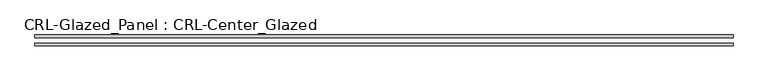
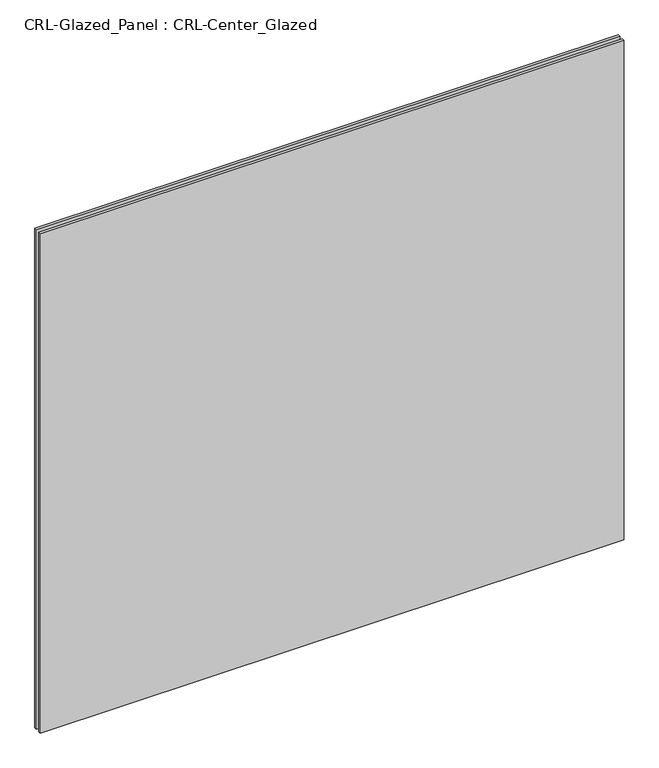
"""IFC4 building model written with IfcOpenShell, lengths in millimetres: plate geometry, CRL-Glazed_Panel : CRL-Center_Glazed."""

from ifc_helpers import new_model, si_unit, origin, origin_with_axes, place, context, project, spatial, polyline, outline, extrude, source, transform, mapped, element, save


def crl_glazed_panel_crl_center_glazed_8a0148cb(model_context):
    return source(origin(), model_context, "Body", "SweptSolid", [
        extrude(outline(polyline([(812.8, 12.7), (812.8, 6.35), (-812.8, 6.35), (-812.8, 12.7), (812.8, 12.7)])), origin_with_axes(), (0.0, 0.0, 1.0), 1470.025),
        extrude(outline(polyline([(-812.8, -6.35), (812.8, -6.35), (812.8, -12.7), (-812.8, -12.7), (-812.8, -6.35)])), origin_with_axes(), (0.0, 0.0, 1.0), 1470.025),
    ])


if __name__ == "__main__":
    model = new_model("IFC4")
    model_context = context("Model", 3, world=origin())
    ifc_project = project(units=[si_unit("LENGTHUNIT", "METRE", prefix="MILLI")], contexts=[model_context])
    site = spatial("IfcSite", under=ifc_project)
    building = spatial("IfcBuilding", under=site)
    placement = place(None, origin())
    crl_glazed_panel_crl_center_glazed_shape = crl_glazed_panel_crl_center_glazed_8a0148cb(model_context)
    element("IfcPlate", 1, ObjectType="CRL-Glazed_Panel : CRL-Center_Glazed", at=placement, inside=building, context=model_context, shape_type="MappedRepresentation", body=[
        mapped(crl_glazed_panel_crl_center_glazed_shape, transform((0.0, 0.0, 0.0), x_axis=(1.0, 0.0, 0.0), y_axis=(0.0, 1.0, 0.0), z_axis=(0.0, 0.0, 1.0))),
    ])
    save(model, "model.ifc")
